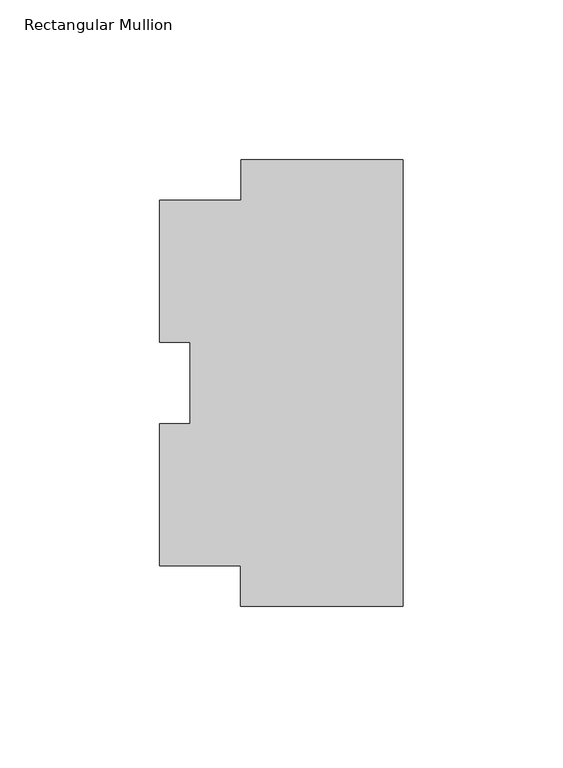
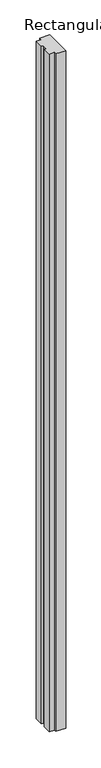
"""IFC4 building model written with IfcOpenShell, lengths in millimetres: member geometry, Rectangular Mullion."""

from ifc_helpers import new_model, si_unit, frame, origin, place, context, project, spatial, polyline, outline, extrude, source, transform, mapped, element, save


def rectangular_mullion_c00ea443(model_context):
    return source(origin(), model_context, "Body", "SweptSolid", [
        extrude(outline(polyline([(-50.7746, 69.851404), (0.0, 69.851404), (0.0, -69.8497284), (-50.8, -69.8497284), (-50.8, -57.1426899), (-76.2, -57.1426899), (-76.2, -12.7435776), (-66.675, -12.7435776), (-66.675, 12.7441208), (-76.2, 12.7441208), (-76.2, 57.1573101), (-50.7746, 57.1573101), (-50.7746, 69.851404)])), frame((0.0, 0.0, -3657.6), z_axis=(0.0, 0.0, 1.0), x_axis=(1.0, 0.0, 0.0)), (0.0, 0.0, 1.0), 3657.6),
    ])


if __name__ == "__main__":
    model = new_model("IFC4")
    model_context = context("Model", 3, world=origin())
    ifc_project = project(units=[si_unit("LENGTHUNIT", "METRE", prefix="MILLI")], contexts=[model_context])
    site = spatial("IfcSite", under=ifc_project)
    building = spatial("IfcBuilding", under=site)
    placement = place(None, origin())
    rectangular_mullion_shape = rectangular_mullion_c00ea443(model_context)
    element("IfcMember", 1, ObjectType="Rectangular Mullion", at=placement, inside=building, context=model_context, shape_type="MappedRepresentation", body=[
        mapped(rectangular_mullion_shape, transform((0.0, 0.0, 0.0), x_axis=(1.0, 0.0, 0.0), y_axis=(0.0, 1.0, 0.0), z_axis=(0.0, 0.0, 1.0))),
    ])
    save(model, "model.ifc")
